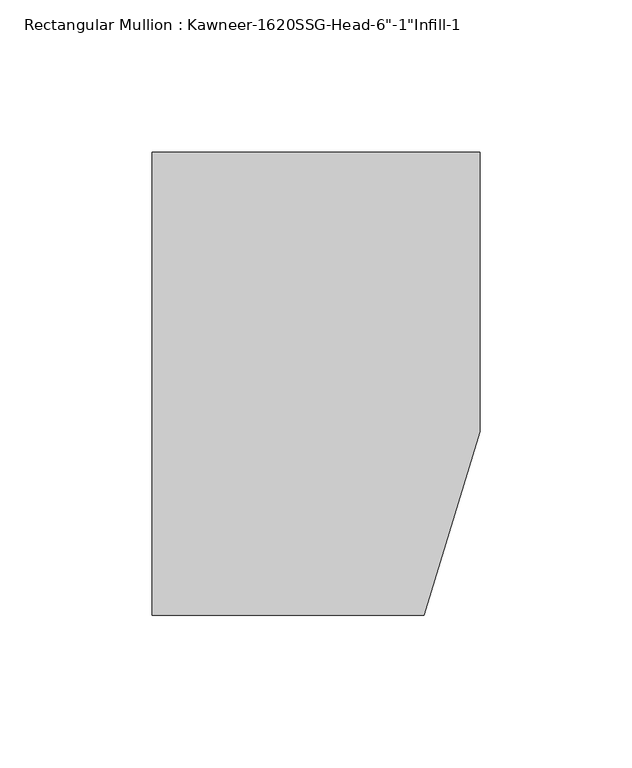
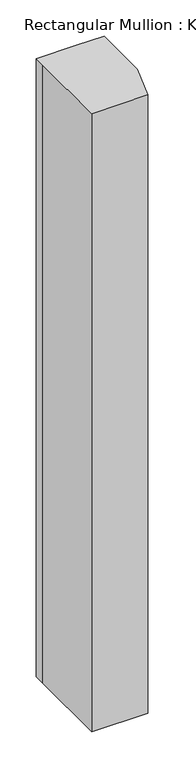
"""IFC4 building model written with IfcOpenShell, lengths in millimetres: member geometry."""

import ifcopenshell
import ifcopenshell.guid

model = None  # the IFC model being written
_history = None  # IfcOwnerHistory: only IFC2X3 demands one
_inside = {}  # id of a spatial element -> (the spatial element, [elements in it])
_under = {}  # id of a project, library or spatial element -> (it, [spatial elements below it])
_declared = {}  # id of a project -> (the project, [libraries it declares])
_typed = {}  # id of a type object -> (the type object, [elements of that type])
_made_of = {}  # id of a material, layer set ... -> (it, [elements and type objects made of it])


def new_model(schema):
    """Start an empty IFC model of exactly this schema.

    Asked for "IFC4X3", IfcOpenShell would pick the latest addendum, in which some entities
    have other attributes; the version numbers below select the first issue.
    IFC2X3 requires an IfcOwnerHistory on every rooted entity: one is made here for all.
    """
    global model, _history
    if schema == "IFC4X3":
        model = ifcopenshell.file(schema_version=(4, 3, 0, 0))
    else:
        model = ifcopenshell.file(schema=schema)
    _inside.clear()
    _under.clear()
    _declared.clear()
    _typed.clear()
    _made_of.clear()
    _history = None
    if model.schema == "IFC2X3":
        org = make("IfcOrganization", Name="unknown")
        user = make(
            "IfcPersonAndOrganization",
            ThePerson=make("IfcPerson", FamilyName="unknown"),
            TheOrganization=org,
        )
        app = make(
            "IfcApplication",
            ApplicationDeveloper=org,
            Version="unknown",
            ApplicationFullName="unknown",
            ApplicationIdentifier="unknown",
        )
        _history = make(
            "IfcOwnerHistory",
            OwningUser=user,
            OwningApplication=app,
            ChangeAction="ADDED",
            CreationDate=0,
        )
    return model


def make(cls, **values):
    """One entity of the class cls with the attributes given. An attribute that is None is left unset."""
    return model.create_entity(
        cls, **{name: value for name, value in values.items() if value is not None}
    )


def rooted(cls, **values):
    """An entity with a GlobalId (a new one), such as an element, a storey or a relation."""
    return make(cls, GlobalId=ifcopenshell.guid.new(), OwnerHistory=_history, **values)


def si_unit(unit_type, name, prefix=None):
    """IfcSIUnit, for example si_unit("LENGTHUNIT", "METRE", prefix="MILLI")."""
    return make("IfcSIUnit", UnitType=unit_type, Prefix=prefix, Name=name)


def assignment(units):
    """IfcUnitAssignment: the units of a project."""
    return None if units is None else make("IfcUnitAssignment", Units=units)


def point(xyz):
    """IfcCartesianPoint."""
    return None if xyz is None else make("IfcCartesianPoint", Coordinates=xyz)


def direction(xyz):
    """IfcDirection."""
    return None if xyz is None else make("IfcDirection", DirectionRatios=xyz)


def frame(location, z_axis=None, x_axis=None):
    """IfcAxis2Placement3D, a coordinate frame: its origin and axes. An axis left out is left unset."""
    return make(
        "IfcAxis2Placement3D",
        Location=point(location),
        Axis=direction(z_axis),
        RefDirection=direction(x_axis),
    )


def origin():
    """The frame at (0, 0, 0) with its axes left unset."""
    return frame((0.0, 0.0, 0.0))


def place(relative_to, where):
    """IfcLocalPlacement: puts the frame where relative to a parent placement (None: the world)."""
    return make(
        "IfcLocalPlacement", PlacementRelTo=relative_to, RelativePlacement=where
    )


def context(
    kind, dimensions, precision=None, world=None, true_north=None, identifier=None
):
    """IfcGeometricRepresentationContext, for example the 3D "Model" context."""
    return make(
        "IfcGeometricRepresentationContext",
        ContextIdentifier=identifier,
        ContextType=kind,
        CoordinateSpaceDimension=dimensions,
        Precision=precision,
        WorldCoordinateSystem=world,
        TrueNorth=true_north,
    )


def project(units=None, contexts=None):
    """IfcProject with its units and contexts."""
    return rooted(
        "IfcProject",
        Name="project",
        RepresentationContexts=contexts,
        UnitsInContext=assignment(units),
    )


def spatial(cls, under=None, at=None, **own):
    """A site, building, storey or space (cls), placed at a placement, below another one or the project."""
    s = rooted(cls, ObjectPlacement=at, **own)
    if under is not None:
        _under.setdefault(under.id(), (under, []))[1].append(s)
    return s


def polyline(points):
    """IfcPolyline through the points."""
    return make("IfcPolyline", Points=[point(p) for p in points])


def outline(outer, holes=None, kind="AREA"):
    """IfcArbitraryClosedProfileDef: a profile drawn as a closed curve; with holes, ...WithVoids."""
    if holes is None:
        return make("IfcArbitraryClosedProfileDef", ProfileType=kind, OuterCurve=outer)
    return make(
        "IfcArbitraryProfileDefWithVoids",
        ProfileType=kind,
        OuterCurve=outer,
        InnerCurves=holes,
    )


def extrude(swept, where, along, depth):
    """IfcExtrudedAreaSolid: the profile swept, set in the frame where, extruded along a direction by depth."""
    return make(
        "IfcExtrudedAreaSolid",
        SweptArea=swept,
        Position=where,
        ExtrudedDirection=direction(along),
        Depth=depth,
    )


def shape(context_of_items, identifier, shape_type, items):
    """IfcShapeRepresentation: the items that make up one representation, for example the "Body"."""
    return make(
        "IfcShapeRepresentation",
        ContextOfItems=context_of_items,
        RepresentationIdentifier=identifier,
        RepresentationType=shape_type,
        Items=items,
    )


def source(mapping_origin, context_of_items, identifier, shape_type, items):
    """IfcRepresentationMap: a shape defined once, which mapped items show again and again."""
    return make(
        "IfcRepresentationMap",
        MappingOrigin=mapping_origin,
        MappedRepresentation=shape(context_of_items, identifier, shape_type, items),
    )


def transform(
    local_origin,
    x_axis=None,
    y_axis=None,
    z_axis=None,
    scale=None,
    scale2=None,
    scale3=None,
    uniform=True,
):
    """IfcCartesianTransformationOperator3D, or its non-uniform kind. x_axis, y_axis, z_axis: its Axis1, 2, 3."""
    if uniform:
        return make(
            "IfcCartesianTransformationOperator3D",
            Axis1=direction(x_axis),
            Axis2=direction(y_axis),
            LocalOrigin=point(local_origin),
            Scale=scale,
            Axis3=direction(z_axis),
        )
    return make(
        "IfcCartesianTransformationOperator3DnonUniform",
        Axis1=direction(x_axis),
        Axis2=direction(y_axis),
        LocalOrigin=point(local_origin),
        Scale=scale,
        Axis3=direction(z_axis),
        Scale2=scale2,
        Scale3=scale3,
    )


def mapped(mapping_source, mapping_target):
    """IfcMappedItem: shows the shape of a source again, moved by a transform."""
    return make(
        "IfcMappedItem", MappingSource=mapping_source, MappingTarget=mapping_target
    )


def made_of(thing, what):
    """Note that an element or type object is made of a material, layer set ...; save() writes the relation."""
    if what is not None:
        _made_of.setdefault(what.id(), (what, []))[1].append(thing)
    return thing


def element(
    cls,
    number,
    at=None,
    inside=None,
    cuts=None,
    type_object=None,
    material=None,
    context=None,
    identifier="Body",
    shape_type=None,
    held_by="IfcProductDefinitionShape",
    body=None,
    shapes=None,
    **own,
):
    """One element of the class cls, such as IfcWall. Its Tag is "e" and its number.

    at: its placement. inside: the storey or other place that contains it. cuts: it is an
    opening in that element (IfcRelVoidsElement). A single representation is given by context,
    identifier, shape_type and body (its items); several are given by shapes. held_by: the class
    of the entity that holds the representations. save() writes the other relations.
    """
    e = rooted(cls, Tag="e%d" % number, ObjectPlacement=at, **own)
    if body is not None:
        shapes = [shape(context, identifier, shape_type, body)]
    if shapes is not None:
        e.Representation = make(held_by, Representations=shapes)
    if inside is not None:
        _inside.setdefault(inside.id(), (inside, []))[1].append(e)
    if cuts is not None:
        rooted(
            "IfcRelVoidsElement", RelatingBuildingElement=cuts, RelatedOpeningElement=e
        )
    if type_object is not None:
        _typed.setdefault(type_object.id(), (type_object, []))[1].append(e)
    return made_of(e, material)


def aggregate(whole, parts):
    """IfcRelAggregates: a whole, such as a stair, and the parts it consists of."""
    return rooted("IfcRelAggregates", RelatingObject=whole, RelatedObjects=parts)


def save(model, path):
    """Write the relations noted so far, then the file.

    IfcRelAggregates (storeys below a building ...), IfcRelContainedInSpatialStructure (elements
    in a storey), IfcRelDefinesByType, IfcRelAssociatesMaterial and IfcRelDeclares: one each for
    every whole, place, type object, material and project.
    """
    for whole, parts in _under.values():
        aggregate(whole, parts)
    for where, things in _inside.values():
        rooted(
            "IfcRelContainedInSpatialStructure",
            RelatedElements=things,
            RelatingStructure=where,
        )
    for kind, things in _typed.values():
        rooted("IfcRelDefinesByType", RelatedObjects=things, RelatingType=kind)
    for what, things in _made_of.values():
        rooted("IfcRelAssociatesMaterial", RelatedObjects=things, RelatingMaterial=what)
    for by, libraries in _declared.values():
        rooted("IfcRelDeclares", RelatingContext=by, RelatedDefinitions=libraries)
    model.write(path)


def member_cbab8ebd(model_context):
    return source(origin(), model_context, "Body", "SweptSolid", [
        extrude(outline(polyline([(-107.95, 19.9095466), (-107.95, 38.1), (-44.1519366, 38.1), (0.0, 38.1), (0.0, -53.975), (-18.3538271, -114.3), (-107.95, -114.3), (-107.95, 19.9095466)])), frame((0.0, 0.0, -1040.4427726), z_axis=(0.0, 0.0, 1.0), x_axis=(1.0, 0.0, 0.0)), (0.0, 0.0, 1.0), 1040.4427726),
    ])


if __name__ == "__main__":
    model = new_model("IFC4")
    model_context = context("Model", 3, world=origin())
    ifc_project = project(units=[si_unit("LENGTHUNIT", "METRE", prefix="MILLI")], contexts=[model_context])
    site = spatial("IfcSite", under=ifc_project)
    building = spatial("IfcBuilding", under=site)
    placement = place(None, origin())
    member_shape = member_cbab8ebd(model_context)
    element("IfcMember", 1, ObjectType="Rectangular Mullion : Kawneer-1620SSG-Head-6\"-1\"Infill-1", at=placement, inside=building, context=model_context, shape_type="MappedRepresentation", body=[
        mapped(member_shape, transform((0.0, 0.0, 0.0), x_axis=(1.0, 0.0, 0.0), y_axis=(0.0, 1.0, 0.0), z_axis=(0.0, 0.0, 1.0))),
    ])
    save(model, "model.ifc")
